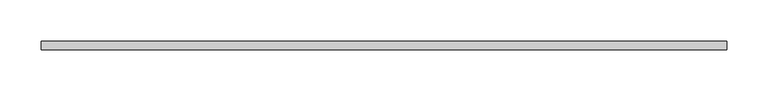
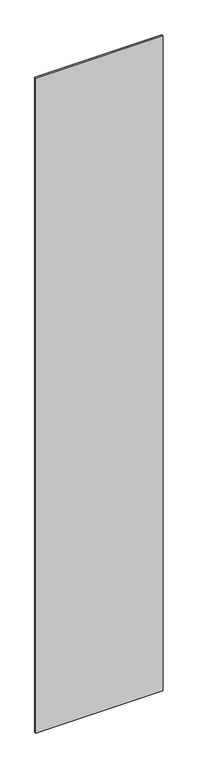
"""IFC4 building model written with IfcOpenShell, lengths in millimetres: plate geometry."""

from ifc_helpers import new_model, si_unit, origin, origin_with_axes, place, context, project, spatial, polyline, outline, extrude, source, transform, mapped, element, save


def plate_4cf458df(model_context):
    return source(origin(), model_context, "Body", "SweptSolid", [
        extrude(outline(polyline([(414.369043, -5.0), (-414.369043, -5.0), (-414.369043, 5.0), (414.369043, 5.0), (414.369043, -5.0)])), origin_with_axes(), (0.0, 0.0, 1.0), 4500.0),
    ])


if __name__ == "__main__":
    model = new_model("IFC4")
    model_context = context("Model", 3, world=origin())
    ifc_project = project(units=[si_unit("LENGTHUNIT", "METRE", prefix="MILLI")], contexts=[model_context])
    site = spatial("IfcSite", under=ifc_project)
    building = spatial("IfcBuilding", under=site)
    placement = place(None, origin())
    plate_shape = plate_4cf458df(model_context)
    element("IfcPlate", 1, at=placement, inside=building, context=model_context, shape_type="MappedRepresentation", body=[
        mapped(plate_shape, transform((0.0, 0.0, 0.0), x_axis=(1.0, 0.0, 0.0), y_axis=(0.0, 1.0, 0.0), z_axis=(0.0, 0.0, 1.0))),
    ])
    save(model, "model.ifc")
